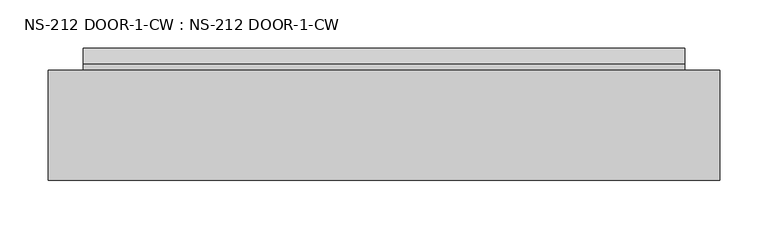
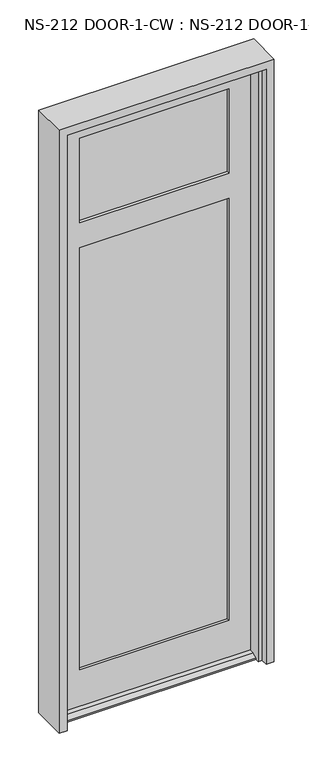
"""IFC4 building model written with IfcOpenShell, lengths in millimetres: plate geometry, NS-212 DOOR-1-CW : NS-212 DOOR-1-CW."""

from ifc_helpers import new_model, si_unit, frame, origin, place, context, project, spatial, polyline, outline, extrude, faceted_brep, source, transform, mapped, element, save


def ns_212_door_1_cw_ns_212_door_1_cw_12b3b4b9(model_context):
    return source(origin(), model_context, "Body", "SolidModel", [
        faceted_brep([(-315.5632958, -0.8585632, 0.0), (-315.5632958, -0.8585632, 2040.73125), (315.5632958, -0.8585632, 2040.73125), (315.5632958, -0.8585632, 0.0), (312.7946958, -0.8585632, 0.0), (312.7946958, -0.8585632, 12.7), (-312.7946958, -0.8585632, 12.7), (-312.7946958, -0.8585632, 0.0), (-242.5382958, -0.8585632, 138.1125), (242.5382958, -0.8585632, 138.1125), (242.5382958, -0.8585632, 1588.29375), (-242.5382958, -0.8585632, 1588.29375), (-242.5382958, -0.8585632, 1674.01875), (242.5382958, -0.8585632, 1674.01875), (242.5382958, -0.8585632, 1964.53125), (-242.5382958, -0.8585632, 1964.53125), (-242.5382958, -10.3835632, 1964.53125), (242.5382958, -10.3835632, 1964.53125), (-249.6820458, -10.3835632, 1971.675), (-249.6820458, -10.3835632, 1666.875), (249.6820458, -10.3835632, 1666.875), (249.6820458, -10.3835632, 1971.675), (-242.5382958, -10.3835632, 1674.01875), (242.5382958, -10.3835632, 1674.01875), (-249.6820458, -10.3835632, 1595.4375), (-249.6820458, -10.3835632, 130.96875), (249.6820458, -10.3835632, 130.96875), (249.6820458, -10.3835632, 1595.4375), (-242.5382958, -10.3835632, 138.1125), (-242.5382958, -10.3835632, 1588.29375), (242.5382958, -10.3835632, 1588.29375), (242.5382958, -10.3835632, 138.1125), (249.6820458, -35.7835632, 1971.675), (-249.6820458, -35.7835632, 1971.675), (-249.6820458, -35.7835632, 1666.875), (249.6820458, -35.7835632, 1666.875), (-242.5382958, -35.7835632, 1964.53125), (-242.5382958, -35.7835632, 1674.01875), (242.5382958, -35.7835632, 1674.01875), (242.5382958, -35.7835632, 1964.53125), (-249.6820458, -35.7835632, 130.96875), (-249.6820458, -35.7835632, 1595.4375), (249.6820458, -35.7835632, 1595.4375), (249.6820458, -35.7835632, 130.96875), (-242.5382958, -35.7835632, 1588.29375), (-242.5382958, -35.7835632, 138.1125), (242.5382958, -35.7835632, 138.1125), (242.5382958, -35.7835632, 1588.29375), (-242.5382958, -45.3085632, 1964.53125), (242.5382958, -45.3085632, 1964.53125), (-312.7946958, -45.3085632, 2040.73125), (-312.7946958, -45.3085632, 12.7), (312.7946958, -45.3085632, 12.7), (312.7946958, -45.3085632, 2040.73125), (-242.5382958, -45.3085632, 1588.29375), (242.5382958, -45.3085632, 1588.29375), (242.5382958, -45.3085632, 138.1125), (-242.5382958, -45.3085632, 138.1125), (-242.5382958, -45.3085632, 1674.01875), (242.5382958, -45.3085632, 1674.01875), (312.7946958, -61.9583086, 12.7), (312.7946958, -78.646154, 4.9183299), (312.7946958, -78.646154, 0.0), (312.7946958, -45.3085632, 0.0), (312.7946958, 22.9539368, 0.0), (312.7946958, 22.9539368, 4.9183299), (312.7946958, 6.2660914, 12.7), (-312.7946958, 6.2660914, 12.7), (-312.7946958, 22.9539368, 4.9183299), (-312.7946958, 22.9539368, 0.0), (-312.7946958, -78.646154, 0.0), (-312.7946958, -78.646154, 4.9183299), (-312.7946958, -61.9583086, 12.7), (-312.7946958, -45.3085632, 0.0)], [[[0, 1, 2, 3, 4, 5, 6, 7], [8, 9, 10, 11], [12, 13, 14, 15]], [[16, 15, 14, 17]], [[18, 19, 20, 21], [22, 16, 17, 23]], [[24, 25, 26, 27], [28, 29, 30, 31]], [[32, 33, 18, 21]], [[34, 33, 32, 35], [36, 37, 38, 39]], [[40, 41, 42, 43], [44, 45, 46, 47]], [[48, 36, 39, 49]], [[50, 51, 52, 53], [54, 55, 56, 57], [58, 48, 49, 59]], [[2, 1, 50, 53]], [[52, 60, 61, 62, 63]], [[64, 65, 66, 5, 4]], [[6, 67, 68, 69, 7]], [[70, 71, 72, 51, 73]], [[8, 28, 31, 9]], [[26, 25, 40, 43]], [[45, 57, 56, 46]], [[60, 52, 51, 72]], [[62, 70, 73, 0, 7, 69, 64, 4, 3, 63]], [[6, 5, 66, 67]], [[12, 22, 23, 13]], [[20, 19, 34, 35]], [[37, 58, 59, 38]], [[54, 44, 47, 55]], [[42, 41, 24, 27]], [[29, 11, 10, 30]], [[61, 60, 72, 71]], [[62, 61, 71, 70]], [[65, 64, 69, 68]], [[66, 65, 68, 67]], [[37, 36, 48, 58]], [[54, 57, 45, 44]], [[18, 33, 34, 19]], [[40, 25, 24, 41]], [[8, 11, 29, 28]], [[12, 15, 16, 22]], [[50, 1, 0, 73, 51]], [[2, 53, 52, 63, 3]], [[23, 17, 14, 13]], [[10, 9, 31, 30]], [[21, 20, 35, 32]], [[43, 42, 27, 26]], [[59, 49, 39, 38]], [[47, 46, 56, 55]]]),
        extrude(outline(polyline([(249.6820458, -10.3835632), (249.6820458, -16.7335632), (-249.6820458, -16.7335632), (-249.6820458, -10.3835632), (249.6820458, -10.3835632)])), frame((0.0, 0.0, 1666.875), z_axis=(0.0, 0.0, 1.0), x_axis=(1.0, 0.0, 0.0)), (0.0, 0.0, 1.0), 304.8),
        extrude(outline(polyline([(249.6820458, -29.4335632), (249.6820458, -35.7835632), (-249.6820458, -35.7835632), (-249.6820458, -29.4335632), (249.6820458, -29.4335632)])), frame((0.0, 0.0, 1666.875), z_axis=(0.0, 0.0, 1.0), x_axis=(1.0, 0.0, 0.0)), (0.0, 0.0, 1.0), 304.8),
        extrude(outline(polyline([(249.6820458, -10.3835632), (249.6820458, -16.7335632), (-249.6820458, -16.7335632), (-249.6820458, -10.3835632), (249.6820458, -10.3835632)])), frame((0.0, 0.0, 130.96875), z_axis=(0.0, 0.0, 1.0), x_axis=(1.0, 0.0, 0.0)), (0.0, 0.0, 1.0), 1464.46875),
        extrude(outline(polyline([(249.6820458, -29.4335632), (249.6820458, -35.7835632), (-249.6820458, -35.7835632), (-249.6820458, -29.4335632), (249.6820458, -29.4335632)])), frame((0.0, 0.0, 130.96875), z_axis=(0.0, 0.0, 1.0), x_axis=(1.0, 0.0, 0.0)), (0.0, 0.0, 1.0), 1464.46875),
        faceted_brep([(-349.25, -114.3, 2070.1), (-349.25, 0.0, 2070.1), (-349.25, 0.0, 0.0), (-349.25, -114.3, 0.0), (349.25, 0.0, 2070.1), (349.25, -114.3, 2070.1), (349.25, -114.3, 0.0), (349.25, 0.0, 0.0), (311.15, -91.313, 0.0), (323.85, -91.313, 0.0), (323.85, -91.313, 2044.7), (-323.85, -91.313, 2044.7), (-323.85, -91.313, 0.0), (-311.15, -91.313, 0.0), (-311.15, -91.313, 2032.0), (311.15, -91.313, 2032.0), (323.85, -114.3, 2044.7), (-323.85, -114.3, 2044.7), (-323.85, -114.3, 0.0), (323.85, -114.3, 0.0), (323.85, 0.0, 0.0), (323.85, 0.0, 2044.7), (-323.85, 0.0, 2044.7), (-323.85, 0.0, 0.0), (323.85, -50.038, 2044.7), (-323.85, -50.038, 2044.7), (323.85, -50.038, 0.0), (311.15, -50.038, 0.0), (311.15, -50.038, 2032.0), (-311.15, -50.038, 2032.0), (-311.15, -50.038, 0.0), (-323.85, -50.038, 0.0)], [[[0, 1, 2, 3]], [[4, 5, 6, 7]], [[8, 9, 10, 11, 12, 13, 14, 15]], [[11, 10, 16, 17]], [[0, 3, 18, 17, 16, 19, 6, 5]], [[4, 1, 0, 5]], [[2, 1, 4, 7, 20, 21, 22, 23]], [[21, 24, 25, 22]], [[26, 27, 28, 29, 30, 31, 25, 24]], [[28, 15, 14, 29]], [[27, 26, 20, 7, 6, 19, 9, 8]], [[20, 26, 24, 21]], [[9, 19, 16, 10]], [[27, 8, 15, 28]], [[30, 13, 12, 18, 3, 2, 23, 31]], [[13, 30, 29, 14]], [[18, 12, 11, 17]], [[25, 31, 23, 22]]]),
    ])


if __name__ == "__main__":
    model = new_model("IFC4")
    model_context = context("Model", 3, world=origin())
    ifc_project = project(units=[si_unit("LENGTHUNIT", "METRE", prefix="MILLI")], contexts=[model_context])
    site = spatial("IfcSite", under=ifc_project)
    building = spatial("IfcBuilding", under=site)
    placement = place(None, origin())
    ns_212_door_1_cw_ns_212_door_1_cw_shape = ns_212_door_1_cw_ns_212_door_1_cw_12b3b4b9(model_context)
    element("IfcPlate", 1, ObjectType="NS-212 DOOR-1-CW : NS-212 DOOR-1-CW", at=placement, inside=building, context=model_context, shape_type="MappedRepresentation", body=[
        mapped(ns_212_door_1_cw_ns_212_door_1_cw_shape, transform((0.0, 0.0, 0.0), x_axis=(1.0, 0.0, 0.0), y_axis=(0.0, 1.0, 0.0), z_axis=(0.0, 0.0, 1.0))),
    ])
    save(model, "model.ifc")
